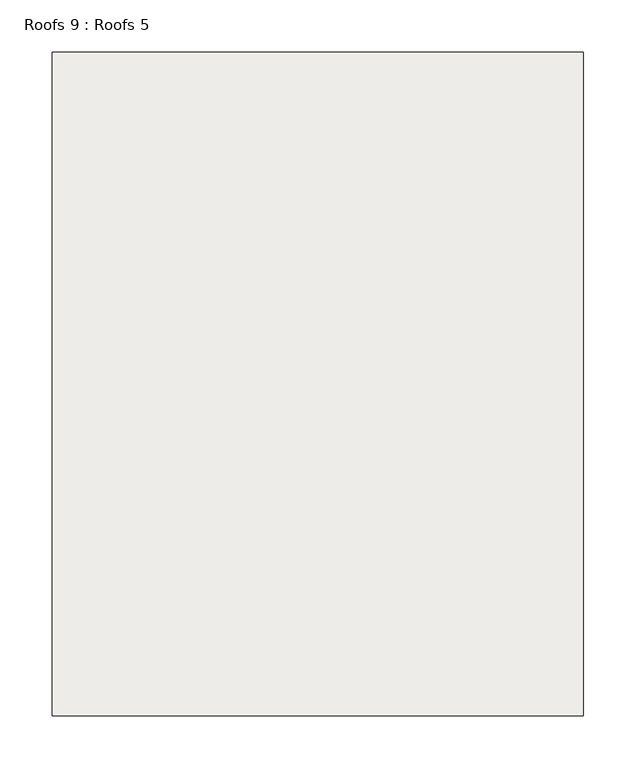
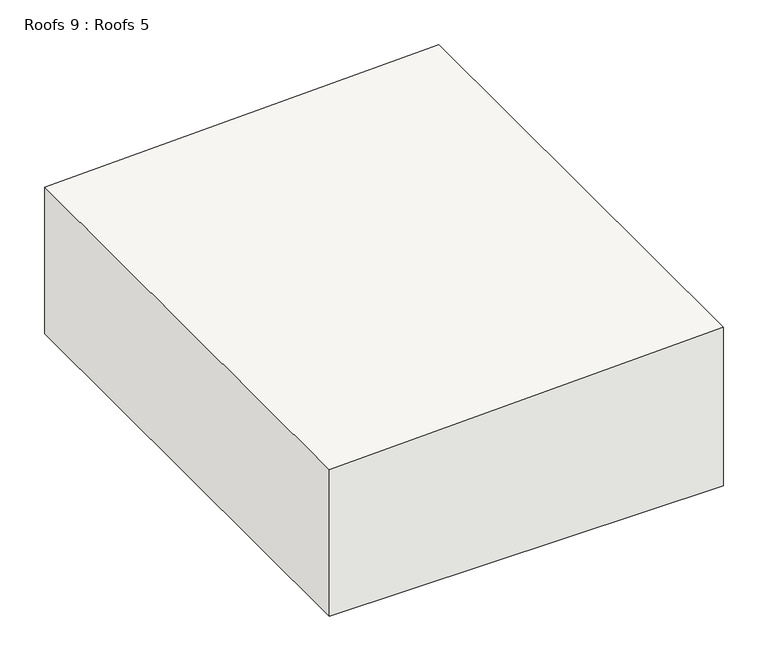
"""IFC4 building model written with IfcOpenShell, lengths in millimetres: roof geometry, Roofs 9 : Roofs 5."""

from ifc_helpers import new_model, si_unit, frame, origin, place, context, project, spatial, polyline, outline, extrude, source, transform, mapped, element, save


def roofs_9_roofs_5_0249b10a(model_context):
    return source(origin(), model_context, "Body", "SweptSolid", [
        extrude(outline(polyline([(-1613.0568927, -12602.1969605), (-1397.1568927, -12602.1969605), (-1413.4872572, -13110.1969605), (-1613.0568927, -13110.1969605), (-1613.0568927, -12602.1969605)])), frame((0.0, 20370.4294206, 0.0), z_axis=(0.0, 1.0, 0.0), x_axis=(0.0, 0.0, 1.0)), (0.0, 0.0, 1.0), 634.725186),
    ])


if __name__ == "__main__":
    model = new_model("IFC4")
    model_context = context("Model", 3, world=origin())
    ifc_project = project(units=[si_unit("LENGTHUNIT", "METRE", prefix="MILLI")], contexts=[model_context])
    site = spatial("IfcSite", under=ifc_project)
    building = spatial("IfcBuilding", under=site)
    placement = place(None, origin())
    roofs_9_roofs_5_shape = roofs_9_roofs_5_0249b10a(model_context)
    element("IfcRoof", 1, ObjectType="Roofs 9 : Roofs 5", at=placement, inside=building, context=model_context, shape_type="MappedRepresentation", body=[
        mapped(roofs_9_roofs_5_shape, transform((0.0, 0.0, 0.0), x_axis=(1.0, 0.0, 0.0), y_axis=(0.0, 1.0, 0.0), z_axis=(0.0, 0.0, 1.0))),
    ])
    save(model, "model.ifc")
